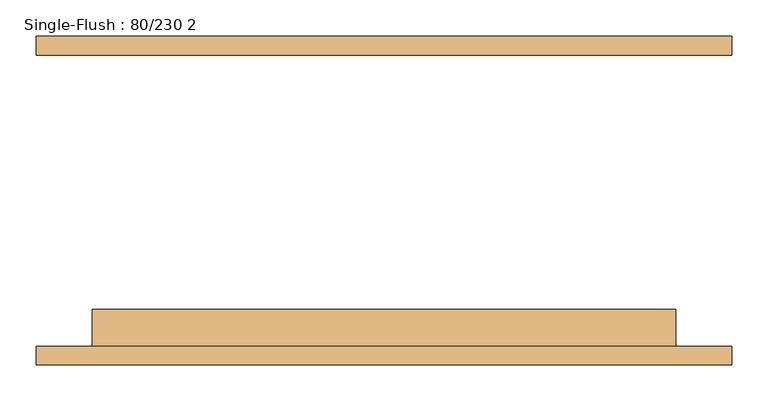
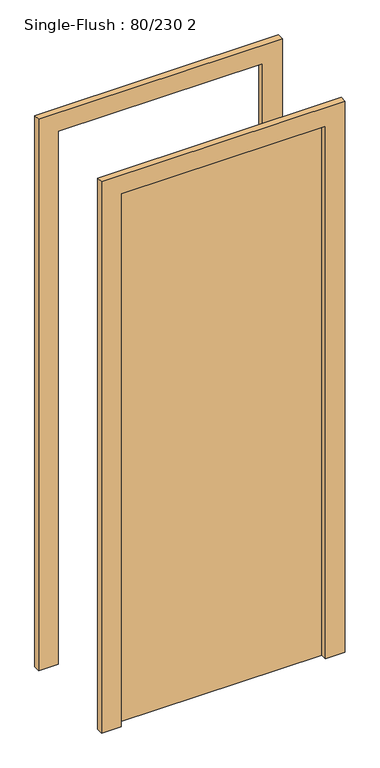
"""IFC4 building model written with IfcOpenShell, lengths in millimetres: door geometry, Single-Flush : 80/230 2."""

from ifc_helpers import new_model, si_unit, frame, origin, origin_with_axes, place, context, project, spatial, polyline, outline, extrude, source, transform, mapped, element, save


def single_flush_80_230_2_68e23316(model_context):
    return source(origin(), model_context, "Body", "SweptSolid", [
        extrude(outline(polyline([(2276.2, -476.2), (0.0, -476.2), (0.0, -400.0), (2200.0, -400.0), (2200.0, 400.0), (0.0, 400.0), (0.0, 476.2), (2276.2, 476.2), (2276.2, -476.2)])), frame((0.0, -225.4, 0.0), z_axis=(0.0, 1.0, 0.0), x_axis=(0.0, 0.0, 1.0)), (0.0, 0.0, 1.0), 25.4),
        extrude(outline(polyline([(2276.2, 476.2), (2276.2, -476.2), (0.0, -476.2), (0.0, -400.0), (2200.0, -400.0), (2200.0, 400.0), (0.0, 400.0), (0.0, 476.2), (2276.2, 476.2)])), frame((0.0, 200.0, 0.0), z_axis=(0.0, 1.0, 0.0), x_axis=(0.0, 0.0, 1.0)), (0.0, 0.0, 1.0), 25.4),
        extrude(outline(polyline([(400.0, -149.2), (400.0, -200.0), (-400.0, -200.0), (-400.0, -149.2), (400.0, -149.2)])), origin_with_axes(), (0.0, 0.0, 1.0), 2200.0),
    ])


if __name__ == "__main__":
    model = new_model("IFC4")
    model_context = context("Model", 3, world=origin())
    ifc_project = project(units=[si_unit("LENGTHUNIT", "METRE", prefix="MILLI")], contexts=[model_context])
    site = spatial("IfcSite", under=ifc_project)
    building = spatial("IfcBuilding", under=site)
    placement = place(None, origin())
    single_flush_80_230_2_shape = single_flush_80_230_2_68e23316(model_context)
    element("IfcDoor", 1, ObjectType="Single-Flush : 80/230 2", at=placement, inside=building, context=model_context, shape_type="MappedRepresentation", body=[
        mapped(single_flush_80_230_2_shape, transform((0.0, 0.0, 0.0), x_axis=(1.0, 0.0, 0.0), y_axis=(0.0, 1.0, 0.0), z_axis=(0.0, 0.0, 1.0))),
    ])
    save(model, "model.ifc")
